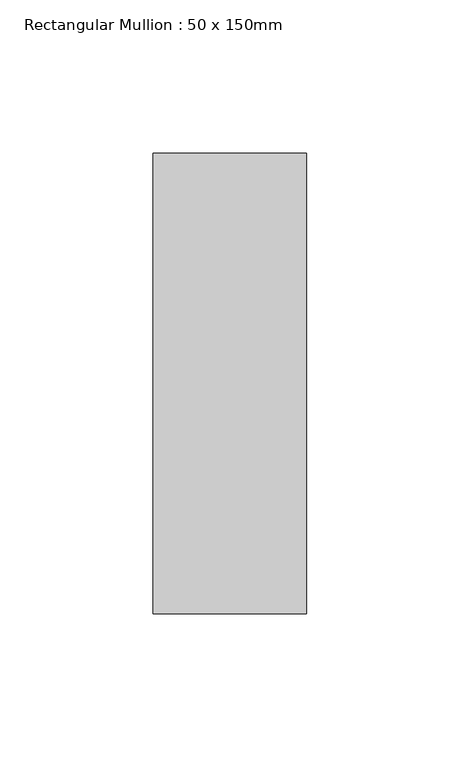
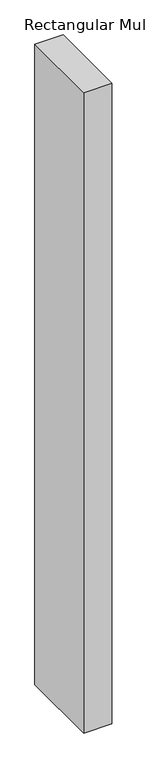
"""IFC4 building model written with IfcOpenShell, lengths in millimetres: member geometry, Rectangular Mullion : 50 x 150mm."""

from ifc_helpers import new_model, si_unit, frame, origin, place, context, project, spatial, polyline, outline, extrude, source, transform, mapped, element, save


def rectangular_mullion_50_x_150mm_77511a1b(model_context):
    return source(origin(), model_context, "Body", "SweptSolid", [
        extrude(outline(polyline([(25.0, 75.0), (25.0, -75.0), (-25.0, -75.0), (-25.0, 75.0), (25.0, 75.0)])), frame((0.0, 0.0, -1203.5977747), z_axis=(0.0, 0.0, 1.0), x_axis=(1.0, 0.0, 0.0)), (0.0, 0.0, 1.0), 1203.5977747),
    ])


if __name__ == "__main__":
    model = new_model("IFC4")
    model_context = context("Model", 3, world=origin())
    ifc_project = project(units=[si_unit("LENGTHUNIT", "METRE", prefix="MILLI")], contexts=[model_context])
    site = spatial("IfcSite", under=ifc_project)
    building = spatial("IfcBuilding", under=site)
    placement = place(None, origin())
    rectangular_mullion_50_x_150mm_shape = rectangular_mullion_50_x_150mm_77511a1b(model_context)
    element("IfcMember", 1, ObjectType="Rectangular Mullion : 50 x 150mm", at=placement, inside=building, context=model_context, shape_type="MappedRepresentation", body=[
        mapped(rectangular_mullion_50_x_150mm_shape, transform((0.0, 0.0, 0.0), x_axis=(1.0, 0.0, 0.0), y_axis=(0.0, 1.0, 0.0), z_axis=(0.0, 0.0, 1.0))),
    ])
    save(model, "model.ifc")
